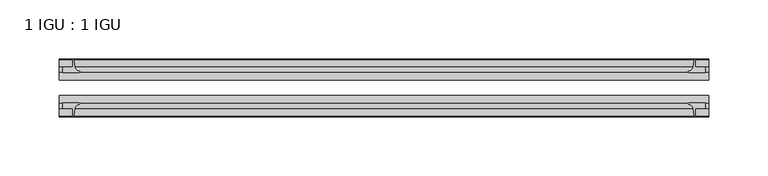
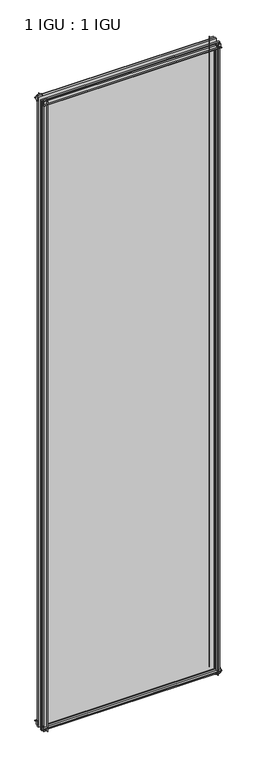
"""IFC4 building model written with IfcOpenShell, lengths in millimetres: plate geometry, 1 IGU : 1 IGU."""

from ifc_helpers import new_model, si_unit, point, frame, frame_2d, origin, place, context, project, spatial, polyline, circle_curve, trimmed, segment, composite_curve, outline, extrude, source, transform, mapped, element, save


def plate_1_igu_1_igu_ba43bcbe(model_context):
    return source(origin(), model_context, "Body", "SweptSolid", [
        extrude(outline(composite_curve([segment(polyline([(-42.3267187, -8.2068385), (-47.0892187, -8.2068385), (-47.0892187, 0.0), (-53.563779, 0.0)]), True, "CONTINUOUS"), segment(trimmed(circle_curve(frame_2d((-53.0328134, 0.3482823)), 0.635), [point((-53.563779, 0.0))], [point((-53.0575397, 0.9828007))], False, "CARTESIAN"), True, "CONTINUOUS"), segment(trimmed(circle_curve(frame_2d((-54.2310045, 31.0958559)), 30.1359106), [point((-53.0575397, 0.9828007))], [point((-47.0834032, 1.8198434))], True, "CARTESIAN"), True, "CONTINUOUS"), segment(trimmed(circle_curve(frame_2d((-48.2159797, 6.4587878)), 4.7752), [point((-47.0834032, 1.8198434))], [point((-43.578416, 5.3205707))], True, "CARTESIAN"), True, "CONTINUOUS"), segment(trimmed(circle_curve(frame_2d((-42.9617187, 5.169212)), 0.635), [point((-43.578416, 5.3205707))], [point((-42.3267187, 5.169212))], False, "CARTESIAN"), True, "CONTINUOUS"), segment(polyline([(-42.3267187, 5.169212), (-42.3267187, -8.2068385)]), True, "CONTINUOUS")], self_intersect=False)), frame((-273.05, 0.0, 0.0), z_axis=(1.0, 0.0, 0.0), x_axis=(0.0, 1.0, 0.0)), (0.0, 0.0, 1.0), 546.1),
        extrude(outline(composite_curve([segment(polyline([(-16.9267187, -8.2068385), (-16.9267187, 5.169212)]), True, "CONTINUOUS"), segment(trimmed(circle_curve(frame_2d((-16.2917187, 5.169212)), 0.635), [point((-16.9267187, 5.169212))], [point((-15.6750215, 5.3205707))], False, "CARTESIAN"), True, "CONTINUOUS"), segment(trimmed(circle_curve(frame_2d((-11.0374578, 6.4587878)), 4.7752), [point((-15.6750215, 5.3205707))], [point((-12.1700343, 1.8198434))], True, "CARTESIAN"), True, "CONTINUOUS"), segment(trimmed(circle_curve(frame_2d((-5.022433, 31.0958559)), 30.1359106), [point((-12.1700343, 1.8198434))], [point((-6.1958978, 0.9828007))], True, "CARTESIAN"), True, "CONTINUOUS"), segment(trimmed(circle_curve(frame_2d((-6.2206241, 0.3482823)), 0.635), [point((-6.1958978, 0.9828007))], [point((-5.6896585, 0.0))], False, "CARTESIAN"), True, "CONTINUOUS"), segment(polyline([(-5.6896585, 0.0), (-12.1642187, 0.0), (-12.1642187, -8.2068385), (-16.9267187, -8.2068385)]), True, "CONTINUOUS")], self_intersect=False)), frame((-273.05, 0.0, 0.0), z_axis=(1.0, 0.0, 0.0), x_axis=(0.0, 1.0, 0.0)), (0.0, 0.0, 1.0), 546.1),
        extrude(outline(composite_curve([segment(polyline([(-47.0892188, 2022.475), (-47.0892188, 2030.6818385), (-42.3267188, 2030.6818385), (-42.3267188, 2017.305788)]), True, "CONTINUOUS"), segment(trimmed(circle_curve(frame_2d((-42.9617187, 2017.305788)), 0.635), [point((-42.3267188, 2017.305788))], [point((-43.578416, 2017.1544293))], False, "CARTESIAN"), True, "CONTINUOUS"), segment(trimmed(circle_curve(frame_2d((-48.2159797, 2016.0162122)), 4.7752), [point((-43.578416, 2017.1544293))], [point((-47.0834032, 2020.6551566))], True, "CARTESIAN"), True, "CONTINUOUS"), segment(trimmed(circle_curve(frame_2d((-54.2310045, 1991.3791441)), 30.1359106), [point((-47.0834032, 2020.6551566))], [point((-53.0575397, 2021.4921993))], True, "CARTESIAN"), True, "CONTINUOUS"), segment(trimmed(circle_curve(frame_2d((-53.0328134, 2022.1267177)), 0.635), [point((-53.0575397, 2021.4921993))], [point((-53.563779, 2022.475))], False, "CARTESIAN"), True, "CONTINUOUS"), segment(polyline([(-53.563779, 2022.475), (-47.0892188, 2022.475)]), True, "CONTINUOUS")], self_intersect=False)), frame((-273.05, 0.0, 0.0), z_axis=(1.0, 0.0, 0.0), x_axis=(0.0, 1.0, 0.0)), (0.0, 0.0, 1.0), 546.1),
        extrude(outline(composite_curve([segment(polyline([(-12.1642187, 2022.475), (-5.6896585, 2022.475)]), True, "CONTINUOUS"), segment(trimmed(circle_curve(frame_2d((-6.2206241, 2022.1267177)), 0.635), [point((-5.6896585, 2022.475))], [point((-6.1958978, 2021.4921993))], False, "CARTESIAN"), True, "CONTINUOUS"), segment(trimmed(circle_curve(frame_2d((-5.022433, 1991.3791441)), 30.1359106), [point((-6.1958978, 2021.4921993))], [point((-12.1700343, 2020.6551566))], True, "CARTESIAN"), True, "CONTINUOUS"), segment(trimmed(circle_curve(frame_2d((-11.0374578, 2016.0162122)), 4.7752), [point((-12.1700343, 2020.6551566))], [point((-15.6750215, 2017.1544293))], True, "CARTESIAN"), True, "CONTINUOUS"), segment(trimmed(circle_curve(frame_2d((-16.2917188, 2017.305788)), 0.635), [point((-15.6750215, 2017.1544293))], [point((-16.9267188, 2017.305788))], False, "CARTESIAN"), True, "CONTINUOUS"), segment(polyline([(-16.9267188, 2017.305788), (-16.9267187, 2030.6818385), (-12.1642187, 2030.6818385), (-12.1642187, 2022.475)]), True, "CONTINUOUS")], self_intersect=False)), frame((-273.05, 0.0, 0.0), z_axis=(1.0, 0.0, 0.0), x_axis=(0.0, 1.0, 0.0)), (0.0, 0.0, 1.0), 546.1),
        extrude(outline(composite_curve([segment(polyline([(261.9375, -5.6896585), (261.9375, -12.1642188), (270.1443385, -12.1642188), (270.1443385, -16.9267187), (256.768288, -16.9267187)]), True, "CONTINUOUS"), segment(trimmed(circle_curve(frame_2d((256.768288, -16.2917188)), 0.635), [point((256.768288, -16.9267187))], [point((256.6169293, -15.6750215))], False, "CARTESIAN"), True, "CONTINUOUS"), segment(trimmed(circle_curve(frame_2d((255.4787122, -11.0374578)), 4.7752), [point((256.6169293, -15.6750215))], [point((260.1176566, -12.1700343))], True, "CARTESIAN"), True, "CONTINUOUS"), segment(trimmed(circle_curve(frame_2d((230.8416441, -5.022433)), 30.1359106), [point((260.1176566, -12.1700343))], [point((260.9546993, -6.1958978))], True, "CARTESIAN"), True, "CONTINUOUS"), segment(trimmed(circle_curve(frame_2d((261.5892177, -6.2206241)), 0.635), [point((260.9546993, -6.1958978))], [point((261.9375, -5.6896585))], False, "CARTESIAN"), True, "CONTINUOUS")], self_intersect=False)), frame((0.0, 0.0, -11.1125), z_axis=(0.0, 0.0, 1.0), x_axis=(1.0, 0.0, 0.0)), (0.0, 0.0, 1.0), 2044.7),
        extrude(outline(composite_curve([segment(trimmed(circle_curve(frame_2d((261.5892177, -53.0328134)), 0.635), [point((261.9375, -53.563779))], [point((260.9546993, -53.0575397))], False, "CARTESIAN"), True, "CONTINUOUS"), segment(trimmed(circle_curve(frame_2d((230.8416441, -54.2310045)), 30.1359106), [point((260.9546993, -53.0575397))], [point((260.1176566, -47.0834032))], True, "CARTESIAN"), True, "CONTINUOUS"), segment(trimmed(circle_curve(frame_2d((255.4787122, -48.2159797)), 4.7752), [point((260.1176566, -47.0834032))], [point((256.6169293, -43.578416))], True, "CARTESIAN"), True, "CONTINUOUS"), segment(trimmed(circle_curve(frame_2d((256.768288, -42.9617187)), 0.635), [point((256.6169293, -43.578416))], [point((256.768288, -42.3267187))], False, "CARTESIAN"), True, "CONTINUOUS"), segment(polyline([(256.768288, -42.3267187), (270.1443385, -42.3267187), (270.1443385, -47.0892188), (261.9375, -47.0892188), (261.9375, -53.563779)]), True, "CONTINUOUS")], self_intersect=False)), frame((0.0, 0.0, -11.1125), z_axis=(0.0, 0.0, 1.0), x_axis=(1.0, 0.0, 0.0)), (0.0, 0.0, 1.0), 2044.7),
        extrude(outline(composite_curve([segment(trimmed(circle_curve(frame_2d((-261.5892177, -6.2206241)), 0.635), [point((-261.9375, -5.6896585))], [point((-260.9546993, -6.1958978))], False, "CARTESIAN"), True, "CONTINUOUS"), segment(trimmed(circle_curve(frame_2d((-230.8416441, -5.022433)), 30.1359106), [point((-260.9546993, -6.1958978))], [point((-260.1176566, -12.1700343))], True, "CARTESIAN"), True, "CONTINUOUS"), segment(trimmed(circle_curve(frame_2d((-255.4787122, -11.0374578)), 4.7752), [point((-260.1176566, -12.1700343))], [point((-256.6169293, -15.6750215))], True, "CARTESIAN"), True, "CONTINUOUS"), segment(trimmed(circle_curve(frame_2d((-256.768288, -16.2917187)), 0.635), [point((-256.6169293, -15.6750215))], [point((-256.768288, -16.9267187))], False, "CARTESIAN"), True, "CONTINUOUS"), segment(polyline([(-256.768288, -16.9267187), (-270.1443385, -16.9267187), (-270.1443385, -12.1642187), (-261.9375, -12.1642187), (-261.9375, -5.6896585)]), True, "CONTINUOUS")], self_intersect=False)), frame((0.0, 0.0, -11.1125), z_axis=(0.0, 0.0, 1.0), x_axis=(1.0, 0.0, 0.0)), (0.0, 0.0, 1.0), 2044.7),
        extrude(outline(composite_curve([segment(polyline([(-261.9375, -53.563779), (-261.9375, -47.0892187), (-270.1443385, -47.0892187), (-270.1443385, -42.3267188), (-256.768288, -42.3267188)]), True, "CONTINUOUS"), segment(trimmed(circle_curve(frame_2d((-256.768288, -42.9617187)), 0.635), [point((-256.768288, -42.3267188))], [point((-256.6169293, -43.578416))], False, "CARTESIAN"), True, "CONTINUOUS"), segment(trimmed(circle_curve(frame_2d((-255.4787122, -48.2159797)), 4.7752), [point((-256.6169293, -43.578416))], [point((-260.1176566, -47.0834032))], True, "CARTESIAN"), True, "CONTINUOUS"), segment(trimmed(circle_curve(frame_2d((-230.8416441, -54.2310045)), 30.1359106), [point((-260.1176566, -47.0834032))], [point((-260.9546993, -53.0575397))], True, "CARTESIAN"), True, "CONTINUOUS"), segment(trimmed(circle_curve(frame_2d((-261.5892177, -53.0328134)), 0.635), [point((-260.9546993, -53.0575397))], [point((-261.9375, -53.563779))], False, "CARTESIAN"), True, "CONTINUOUS")], self_intersect=False)), frame((0.0, 0.0, -11.1125), z_axis=(0.0, 0.0, 1.0), x_axis=(1.0, 0.0, 0.0)), (0.0, 0.0, 1.0), 2044.7),
        extrude(outline(polyline([(273.05, -16.9267187), (273.05, -23.2259187), (-273.05, -23.2259187), (-273.05, -16.9267187), (273.05, -16.9267187)])), frame((0.0, 0.0, -11.1125), z_axis=(0.0, 0.0, 1.0), x_axis=(1.0, 0.0, 0.0)), (0.0, 0.0, 1.0), 2044.7),
        extrude(outline(polyline([(273.05, -36.0275187), (273.05, -42.3267187), (-273.05, -42.3267187), (-273.05, -36.0275187), (273.05, -36.0275187)])), frame((0.0, 0.0, -11.1125), z_axis=(0.0, 0.0, 1.0), x_axis=(1.0, 0.0, 0.0)), (0.0, 0.0, 1.0), 2044.7),
    ])


if __name__ == "__main__":
    model = new_model("IFC4")
    model_context = context("Model", 3, world=origin())
    ifc_project = project(units=[si_unit("LENGTHUNIT", "METRE", prefix="MILLI")], contexts=[model_context])
    site = spatial("IfcSite", under=ifc_project)
    building = spatial("IfcBuilding", under=site)
    placement = place(None, origin())
    plate_1_igu_1_igu_shape = plate_1_igu_1_igu_ba43bcbe(model_context)
    element("IfcPlate", 1, ObjectType="1 IGU : 1 IGU", at=placement, inside=building, context=model_context, shape_type="MappedRepresentation", body=[
        mapped(plate_1_igu_1_igu_shape, transform((0.0, 0.0, 0.0), x_axis=(1.0, 0.0, 0.0), y_axis=(0.0, 1.0, 0.0), z_axis=(0.0, 0.0, 1.0))),
    ])
    save(model, "model.ifc")
